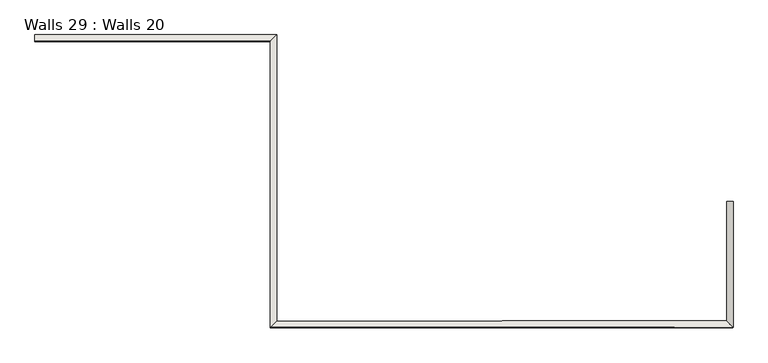
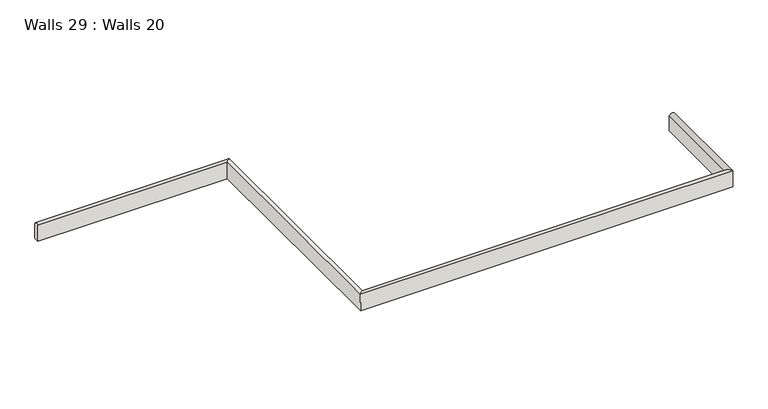
"""IFC4 building model written with IfcOpenShell, lengths in millimetres: wall geometry, Walls 29 : Walls 20."""

from ifc_helpers import new_model, si_unit, frame, origin, place, context, project, spatial, circle_curve, ellipse_curve, source, transform, mapped, element, save
from ifc_brep_helpers import plane_surface, cylinder_surface, advanced_brep


def walls_29_walls_20_688c3e11(model_context):
    return source(origin(), model_context, "Body", "AdvancedBrep", [
        advanced_brep(
        [(-43552.5931093, 46831.4789636, 110815.4460748), (-43574.9385653, 46831.4789796, 110815.4459851), (-43574.9388252, 46831.6359811, 110880.24282), (-43552.5890635, 46831.6565794, 110888.7507428), (-45932.6566412, 47378.6779852, 110814.1106746), (-45932.6569353, 47378.8512613, 110887.4153531), (-45932.6569011, 47401.1803772, 110878.853367), (-45932.6566412, 47401.0233757, 110814.0565321), (-43552.5934198, 46403.0507396, 110816.4841486), (-45131.0402986, 46400.5103332, 110816.4839724), (-45131.0403292, 47378.677993, 110814.11389), (-45108.6948738, 47401.0233837, 110814.0598372), (-45108.6948432, 46422.8917161, 110816.4298324), (-43574.9388597, 46425.3601955, 110816.4300035), (-43574.9391196, 46425.5171971, 110881.2268384), (-43552.5893741, 46403.2240227, 110889.7888271), (-45108.6951032, 46423.0487177, 110881.2266673), (-45131.0449324, 46400.6836023, 110889.7886509), (-45108.6951338, 47401.1803852, 110878.8566721), (-45131.044963, 47378.8512691, 110887.4185685)],
        [
            (0, 1),
            (1, 2),
            (2, 3, circle_curve(frame((-43560.8817937, 46831.6279334, 110876.9256026), z_axis=(7.247680975104649e-07, 0.9999970645923157, -0.002422974664887557), x_axis=(0.9999999999916925, -7.150469115420888e-07, 4.012953605111295e-06)), 14.4431345)),
            (3, 0),
            (4, 5),
            (5, 6, circle_curve(frame((-45932.6568878, 47387.1153625, 110875.570153), z_axis=(-0.9999999999919552, -9.719070219989435e-09, -4.0111975497516165e-06), x_axis=(0.0, -0.9999970645925712, 0.0024229746678070163)), 14.4431345)),
            (6, 7),
            (7, 4),
            (0, 8),
            (8, 9),
            (9, 10),
            (10, 4),
            (7, 11),
            (11, 12),
            (12, 13),
            (13, 1),
            (13, 14),
            (14, 2),
            (3, 15),
            (15, 8),
            (12, 16),
            (16, 14),
            (15, 17),
            (17, 9),
            (11, 18),
            (18, 16),
            (17, 19),
            (19, 10),
            (6, 18),
            (19, 5),
            (14, 15, ellipse_curve(frame((-43560.8820982, 46411.474788, 110877.9436261), z_axis=(0.7065377900624675, 0.7076732443715245, -0.0017118452981953799), x_axis=(-0.7076753148143253, 0.7065357092139363, -0.0017147617926493827)), 20.4092522, 14.4431345)),
            (16, 17, ellipse_curve(frame((-45122.7521077, 46408.9610609, 110877.9434518), z_axis=(0.7076755819055068, -0.70653544169342, 0.0017147611455219233), x_axis=(0.7065375225411686, 0.7076735114619194, -0.0017118459464221453)), 20.442133, 14.4431345)),
            (18, 19, ellipse_curve(frame((-45122.7521383, 47387.1153704, 110875.5734017), z_axis=(0.7071067922429713, -0.7071046876055568, 0.0017161381364691351), x_axis=(-0.7071067701187465, -0.7071047234745412, 0.0017104655000993152)), 20.4256763, 14.4431345)),
        ],
        [
            plane_surface(frame((-43553.4418506, 46831.3704171, 110770.6471238), z_axis=(7.24768097510465e-07, 0.9999970645923159, -0.002422974664887558), x_axis=(-4.011209284903775e-06, 0.0024229746677758893, 0.9999970645845265))),
            plane_surface(frame((-45932.6564615, 47379.4183567, 110769.3096701), z_axis=(-0.9999999999919552, -9.719070563570324e-09, -4.011197549751652e-06), x_axis=(-4.011209324314336e-06, 0.0024229746677875215, 0.9999970645845264))),
            plane_surface(frame((-43552.5931093, 46831.4789636, 110815.4460748), z_axis=(4.011209284906451e-06, -0.0024229746677923883, -0.9999970645845265), x_axis=(-7.247680954581022e-07, -0.9999970645923157, 0.0024229746649040563))),
            plane_surface(frame((-43574.9385653, 46831.4789796, 110815.4459851), z_axis=(-0.9999999999916925, 7.150469136889121e-07, -4.0129536051135165e-06), x_axis=(-7.247680996572525e-07, -0.9999970645923157, 0.0024229746648788894))),
            plane_surface(frame((-43552.5890635, 46831.6565794, 110888.7507428), z_axis=(0.9999999984767453, -8.584910159794734e-07, -5.5188522323013035e-05), x_axis=(-7.247681056806163e-07, -0.9999970645923157, 0.0024229746648965498))),
            plane_surface(frame((-43574.9388597, 46425.3601955, 110816.4300035), z_axis=(-0.0016094271783705161, 0.9999957694519711, -0.0024229779854523298), x_axis=(-0.9999987048631952, -0.001609432173104911, -1.1159105130248777e-07))),
            plane_surface(frame((-43552.5893741, 46403.2240227, 110889.7888271), z_axis=(0.0016094274130194063, -0.9999959111436583, 0.0023637765052851516), x_axis=(-0.9999987048631952, -0.001609432173103964, -1.1159104380207397e-07))),
            plane_surface(frame((-45108.6948432, 46422.8917161, 110816.4298324), z_axis=(0.9999999999919547, 4.100733464704677e-08, 4.011121715707456e-06), x_axis=(-3.1288367966942064e-08, 0.9999970645925705, -0.002422974667924656))),
            plane_surface(frame((-45131.0449324, 46400.6836023, 110889.7886509), z_axis=(-0.9999999980020667, -1.8445143191170634e-07, -6.321259762978796e-05), x_axis=(-3.128836778352343e-08, 0.9999970645925705, -0.0024229746679230893))),
            plane_surface(frame((-45108.6948738, 47401.0233837, 110814.0598372), z_axis=(0.0, 0.9999970645925714, -0.002422974667807013), x_axis=(-0.9999999999919552, -9.719067792519345e-09, -4.011197536031661e-06))),
            plane_surface(frame((-45131.044963, 47378.8512691, 110887.4185685), z_axis=(2.374853068017655e-10, -0.9999972062842564, 0.0023637731876398386), x_axis=(-0.9999999999919551, -9.71907364438736e-09, -4.011197535718529e-06))),
            cylinder_surface(frame((-43560.8817937, 46831.6279334, 110876.9256026), z_axis=(7.247680975104649e-07, 0.9999970645923157, -0.002422974664887557), x_axis=(0.9999999999916925, -7.150469115420888e-07, 4.012953605111295e-06)), 14.4431345),
            cylinder_surface(frame((-43553.4545602, 46411.4867421, 110877.9436269), z_axis=(0.9999987048631953, 0.001609432173105808, 1.1159105106750742e-07), x_axis=(0.0016094271783714132, -0.9999957694519711, 0.0024229779854523332)), 14.4431345),
            cylinder_surface(frame((-45122.7521074, 46401.5095833, 110877.9615066), z_axis=(3.128836711998627e-08, -0.9999970645925707, 0.0024229746679187863), x_axis=(-0.9999999999919547, -4.10073338000594e-08, -4.011121715705169e-06)), 14.4431345),
            cylinder_surface(frame((-45130.1916548, 47387.1153703, 110875.5733719), z_axis=(0.9999999999919552, 9.719070219989435e-09, 4.0111975497516165e-06), x_axis=(0.0, -0.9999970645925712, 0.0024229746678070163)), 14.4431345),
        ],
        [
            (0, [[1, 2, 3, 4]]),
            (1, [[5, 6, 7, 8]]),
            (2, [[-1, 9, 10, 11, 12, -8, 13, 14, 15, 16]]),
            (3, [[-2, -16, 17, 18]]),
            (4, [[-4, 19, 20, -9]]),
            (5, [[-17, -15, 21, 22]]),
            (6, [[-20, 23, 24, -10]]),
            (7, [[-21, -14, 25, 26]]),
            (8, [[-24, 27, 28, -11]]),
            (9, [[-25, -13, -7, 29]]),
            (10, [[-28, 30, -5, -12]]),
            (11, [[-3, -18, 31, -19]]),
            (12, [[-31, -22, 32, -23]]),
            (13, [[-32, -26, 33, -27]]),
            (14, [[-33, -29, -6, -30]]),
        ],
    ),
    ])


if __name__ == "__main__":
    model = new_model("IFC4")
    model_context = context("Model", 3, world=origin())
    ifc_project = project(units=[si_unit("LENGTHUNIT", "METRE", prefix="MILLI")], contexts=[model_context])
    site = spatial("IfcSite", under=ifc_project)
    building = spatial("IfcBuilding", under=site)
    placement = place(None, origin())
    walls_29_walls_20_shape = walls_29_walls_20_688c3e11(model_context)
    element("IfcWall", 1, ObjectType="Walls 29 : Walls 20", at=placement, inside=building, context=model_context, shape_type="MappedRepresentation", body=[
        mapped(walls_29_walls_20_shape, transform((0.0, 0.0, 0.0), x_axis=(1.0, 0.0, 0.0), y_axis=(0.0, 1.0, 0.0), z_axis=(0.0, 0.0, 1.0))),
    ])
    save(model, "model.ifc")
